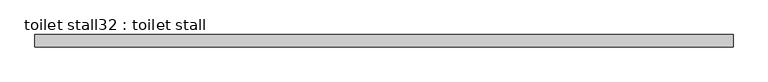
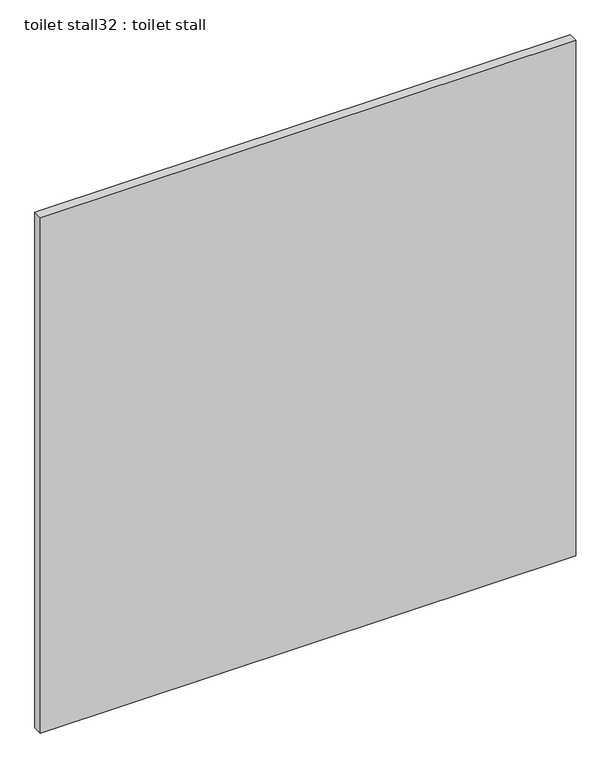
"""IFC4 building model written with IfcOpenShell, lengths in millimetres: proxy geometry, toilet stall32 : toilet stall."""

from ifc_helpers import new_model, si_unit, frame, origin, place, context, project, spatial, polyline, outline, extrude, source, transform, mapped, element, save


def toilet_stall32_toilet_stall_3d3d73fd(model_context):
    return source(origin(), model_context, "Body", "SweptSolid", [
        extrude(outline(polyline([(458233.2504676, -275654.2738632), (456785.4504676, -275654.2738632), (456785.4504676, -275628.8738632), (458233.2504676, -275628.8738632), (458233.2504676, -275654.2738632)])), frame((0.0, 0.0, 304.8), z_axis=(0.0, 0.0, 1.0), x_axis=(1.0, 0.0, 0.0)), (0.0, 0.0, 1.0), 1473.2),
    ])


if __name__ == "__main__":
    model = new_model("IFC4")
    model_context = context("Model", 3, world=origin())
    ifc_project = project(units=[si_unit("LENGTHUNIT", "METRE", prefix="MILLI")], contexts=[model_context])
    site = spatial("IfcSite", under=ifc_project)
    building = spatial("IfcBuilding", under=site)
    placement = place(None, origin())
    toilet_stall32_toilet_stall_shape = toilet_stall32_toilet_stall_3d3d73fd(model_context)
    element("IfcBuildingElementProxy", 1, Name="toilet stall32 : toilet stall", ObjectType="toilet stall32 : toilet stall", at=placement, inside=building, context=model_context, shape_type="MappedRepresentation", body=[
        mapped(toilet_stall32_toilet_stall_shape, transform((0.0, 0.0, 0.0), x_axis=(1.0, 0.0, 0.0), y_axis=(0.0, 1.0, 0.0), z_axis=(0.0, 0.0, 1.0))),
    ])
    save(model, "model.ifc")
